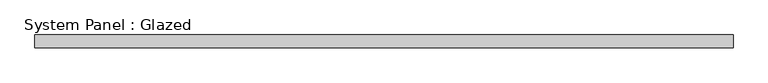
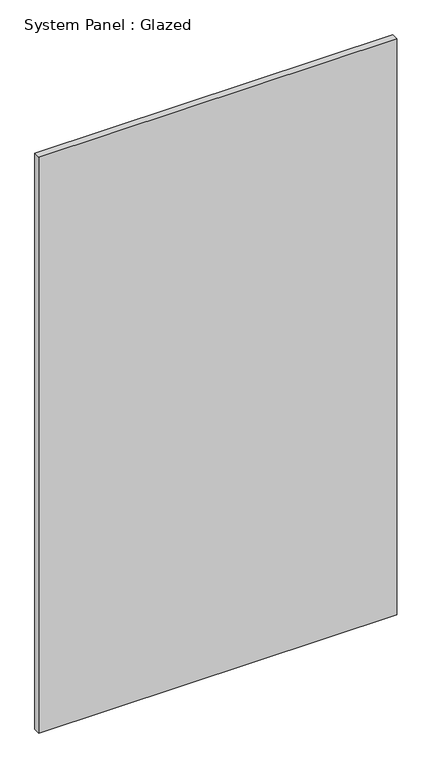
"""IFC4 building model written with IfcOpenShell, lengths in millimetres: plate geometry, System Panel : Glazed."""

from ifc_helpers import new_model, si_unit, origin, origin_with_axes, place, context, project, spatial, polyline, outline, extrude, source, transform, mapped, element, save


def system_panel_glazed_3f0a7722(model_context):
    return source(origin(), model_context, "Body", "SweptSolid", [
        extrude(outline(polyline([(683.5251771, 24.5), (-683.5251771, 24.5), (-683.5251771, 49.5), (683.5251771, 49.5), (683.5251771, 24.5)])), origin_with_axes(), (0.0, 0.0, 1.0), 2325.0),
    ])


if __name__ == "__main__":
    model = new_model("IFC4")
    model_context = context("Model", 3, world=origin())
    ifc_project = project(units=[si_unit("LENGTHUNIT", "METRE", prefix="MILLI")], contexts=[model_context])
    site = spatial("IfcSite", under=ifc_project)
    building = spatial("IfcBuilding", under=site)
    placement = place(None, origin())
    system_panel_glazed_shape = system_panel_glazed_3f0a7722(model_context)
    element("IfcPlate", 1, ObjectType="System Panel : Glazed", at=placement, inside=building, context=model_context, shape_type="MappedRepresentation", body=[
        mapped(system_panel_glazed_shape, transform((0.0, 0.0, 0.0), x_axis=(1.0, 0.0, 0.0), y_axis=(0.0, 1.0, 0.0), z_axis=(0.0, 0.0, 1.0))),
    ])
    save(model, "model.ifc")
